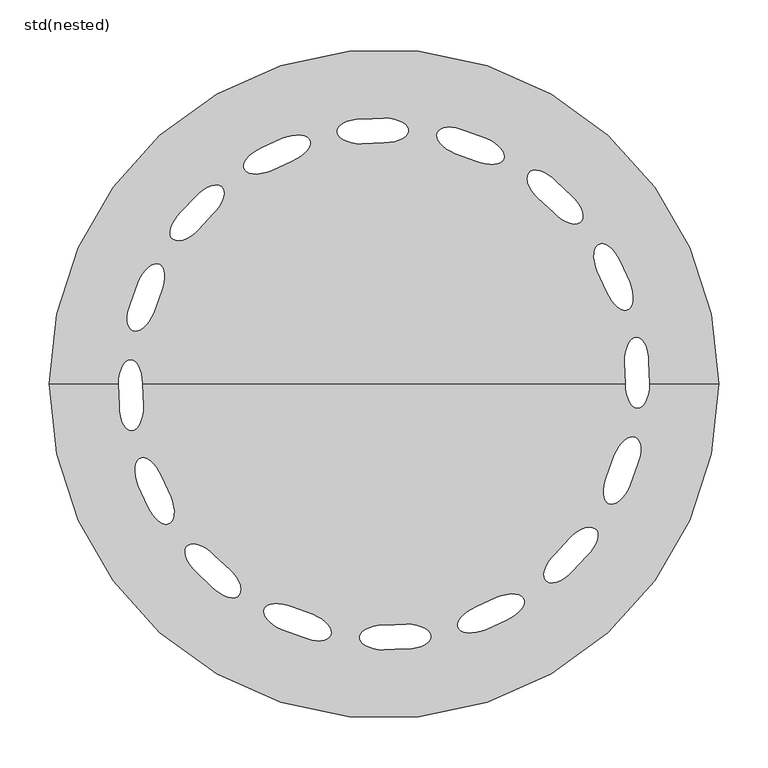
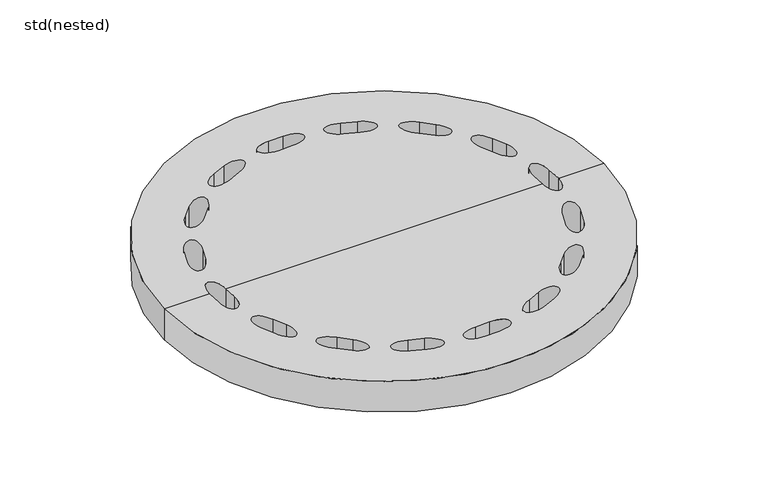
"""IFC4 building model written with IfcOpenShell, lengths in millimetres: sanitary terminal geometry, std(nested)."""

from ifc_helpers import new_model, si_unit, point, frame, origin, origin_with_axes, place, context, project, spatial, polyline, circle_curve, ellipse_curve, trimmed, source, transform, mapped, element, save
from ifc_brep_helpers import plane_surface, cylinder_surface, revolved_surface, extruded_surface, advanced_brep


def std_nested_0d486728(model_context):
    return source(origin(), model_context, "Body", "AdvancedBrep", [
        advanced_brep(
        [(340.0, 0.0, -50.0), (-340.0, 0.0, -50.0), (-340.0, 0.0, 0.0), (340.0, 0.0, 0.0), (-270.0, 0.0, 0.0), (-245.0, 0.0, 0.0), (0.0, 0.0, 0.0), (245.0, 0.0, 0.0), (243.945145, 22.710487, 0.0), (269.043182, 22.710487, 0.0), (270.0, 0.0, 0.0), (0.0, 270.0, 0.0), (0.0, 245.0, 0.0), (-22.710487, 243.945145, 0.0), (-22.710487, 269.043182, 0.0), (103.3245267, 249.4474738, 0.0), (93.7574409, 226.3504855, 0.0), (72.3720112, 234.0668537, 0.0), (81.9766142, 257.2544163, 0.0), (-103.3245267, 249.4474738, 0.0), (-93.7574409, 226.3504855, 0.0), (-114.3355196, 216.6849994, 0.0), (-123.9401225, 239.8725621, 0.0), (-190.9188309, 190.9188309, 0.0), (-173.2411614, 173.2411614, 0.0), (-188.5540057, 156.4365269, 0.0), (-206.3009978, 174.183519, 0.0), (-249.4474738, 103.3245267, 0.0), (-226.3504855, 93.7574409, 0.0), (-234.0668537, 72.3720112, 0.0), (-257.2544163, 81.9766142, 0.0), (249.4474738, 103.3245267, 0.0), (226.3504855, 93.7574409, 0.0), (216.6849994, 114.3355196, 0.0), (239.8725621, 123.9401225, 0.0), (190.9188309, 190.9188309, 0.0), (173.2411614, 173.2411614, 0.0), (156.4365269, 188.5540057, 0.0), (174.183519, 206.3009978, 0.0), (-243.945145, -22.710487, 0.0), (-269.043182, -22.710487, 0.0), (-249.4474738, -103.3245267, 0.0), (-226.3504855, -93.7574409, 0.0), (-216.6849994, -114.3355196, 0.0), (-239.8725621, -123.9401225, 0.0), (-190.9188309, -190.9188309, 0.0), (-173.2411614, -173.2411614, 0.0), (-156.4365269, -188.5540057, 0.0), (-174.183519, -206.3009978, 0.0), (-103.3245267, -249.4474738, 0.0), (-93.7574409, -226.3504855, 0.0), (-72.3720112, -234.0668537, 0.0), (-81.9766142, -257.2544163, 0.0), (0.0, -270.0, 0.0), (0.0, -245.0, 0.0), (22.710487, -243.945145, 0.0), (22.710487, -269.043182, 0.0), (103.3245267, -249.4474738, 0.0), (93.7574409, -226.3504855, 0.0), (114.3355196, -216.6849994, 0.0), (123.9401225, -239.8725621, 0.0), (190.9188309, -190.9188309, 0.0), (173.2411614, -173.2411614, 0.0), (188.5540057, -156.4365269, 0.0), (206.3009978, -174.183519, 0.0), (249.4474738, -103.3245267, 0.0), (226.3504855, -93.7574409, 0.0), (234.0668537, -72.3720112, 0.0), (257.2544163, -81.9766142, 0.0), (270.0, 0.0, -50.0), (269.043182, 22.710487, -50.0), (243.945145, 22.710487, -50.0), (245.0, 0.0, -50.0), (0.0, 0.0, -50.0), (-245.0, 0.0, -50.0), (-270.0, 0.0, -50.0), (0.0, 245.0, -50.0), (0.0, 270.0, -50.0), (-22.710487, 269.043182, -50.0), (-22.710487, 243.945145, -50.0), (93.7574409, 226.3504855, -50.0), (103.3245267, 249.4474738, -50.0), (81.9766142, 257.2544163, -50.0), (72.3720112, 234.0668537, -50.0), (-93.7574409, 226.3504855, -50.0), (-103.3245267, 249.4474738, -50.0), (-123.9401225, 239.8725621, -50.0), (-114.3355196, 216.6849994, -50.0), (-173.2411614, 173.2411614, -50.0), (-190.9188309, 190.9188309, -50.0), (-206.3009978, 174.183519, -50.0), (-188.5540057, 156.4365269, -50.0), (-226.3504855, 93.7574409, -50.0), (-249.4474738, 103.3245267, -50.0), (-257.2544163, 81.9766142, -50.0), (-234.0668537, 72.3720112, -50.0), (226.3504855, 93.7574409, -50.0), (249.4474738, 103.3245267, -50.0), (239.8725621, 123.9401225, -50.0), (216.6849994, 114.3355196, -50.0), (173.2411614, 173.2411614, -50.0), (190.9188309, 190.9188309, -50.0), (174.183519, 206.3009978, -50.0), (156.4365269, 188.5540057, -50.0), (-269.043182, -22.710487, -50.0), (-243.945145, -22.710487, -50.0), (-226.3504855, -93.7574409, -50.0), (-249.4474738, -103.3245267, -50.0), (-239.8725621, -123.9401225, -50.0), (-216.6849994, -114.3355196, -50.0), (-173.2411614, -173.2411614, -50.0), (-190.9188309, -190.9188309, -50.0), (-174.183519, -206.3009978, -50.0), (-156.4365269, -188.5540057, -50.0), (-93.7574409, -226.3504855, -50.0), (-103.3245267, -249.4474738, -50.0), (-81.9766142, -257.2544163, -50.0), (-72.3720112, -234.0668537, -50.0), (0.0, -245.0, -50.0), (0.0, -270.0, -50.0), (22.710487, -269.043182, -50.0), (22.710487, -243.945145, -50.0), (93.7574409, -226.3504855, -50.0), (103.3245267, -249.4474738, -50.0), (123.9401225, -239.8725621, -50.0), (114.3355196, -216.6849994, -50.0), (173.2411614, -173.2411614, -50.0), (190.9188309, -190.9188309, -50.0), (206.3009978, -174.183519, -50.0), (188.5540057, -156.4365269, -50.0), (226.3504855, -93.7574409, -50.0), (249.4474738, -103.3245267, -50.0), (257.2544163, -81.9766142, -50.0), (234.0668537, -72.3720112, -50.0)],
        [
            (0, 1, circle_curve(frame((0.0, 0.0, -50.0), z_axis=(0.0, 0.0, 1.0), x_axis=(-1.0, 0.0, 0.0)), 340.0)),
            (1, 2),
            (2, 3, circle_curve(frame((0.0, 0.0, 0.0), z_axis=(0.0, 0.0, -1.0), x_axis=(-1.0, 0.0, 0.0)), 340.0)),
            (3, 0),
            (1, 0, circle_curve(frame((0.0, 0.0, -50.0), z_axis=(0.0, 0.0, 1.0), x_axis=(-1.0, 0.0, 0.0)), 340.0)),
            (3, 2, circle_curve(frame((0.0, 0.0, 0.0), z_axis=(0.0, 0.0, -1.0), x_axis=(-1.0, 0.0, 0.0)), 340.0)),
            (2, 4),
            (4, 5, ellipse_curve(frame((-257.5, 0.0, 0.0), z_axis=(0.0, 0.0, -1.0), x_axis=(0.0, -1.0, 0.0)), 25.0, 12.5)),
            (5, 6),
            (6, 7),
            (7, 8, circle_curve(frame((0.0, 0.0, 0.0), z_axis=(0.0, 0.0, 1.0), x_axis=(0.0, 1.0, 0.0)), 245.0)),
            (8, 9, ellipse_curve(frame((256.4941635, 22.710487, 0.0), z_axis=(0.0, 0.0, -1.0), x_axis=(0.0, 1.0, 0.0)), 25.0, 12.5490185)),
            (9, 10, circle_curve(frame((0.0, 0.0, 0.0), z_axis=(0.0, 0.0, -1.0), x_axis=(0.0, 1.0, 0.0)), 270.0)),
            (10, 3),
            (11, 12, ellipse_curve(frame((0.0, 257.5, 0.0), z_axis=(0.0, 0.0, -1.0), x_axis=(-1.0, 0.0, 0.0)), 25.0, 12.5)),
            (12, 13, circle_curve(frame((0.0, 0.0, 0.0), z_axis=(0.0, 0.0, 1.0), x_axis=(-1.0, 0.0, 0.0)), 245.0)),
            (13, 14, ellipse_curve(frame((-22.710487, 256.4941635, 0.0), z_axis=(0.0, 0.0, -1.0), x_axis=(-1.0, 0.0, 0.0)), 25.0, 12.5490185)),
            (14, 11, circle_curve(frame((0.0, 0.0, 0.0), z_axis=(0.0, 0.0, -1.0), x_axis=(-1.0, 0.0, 0.0)), 270.0)),
            (15, 16, ellipse_curve(frame((98.5409838, 237.8989796, 0.0), z_axis=(0.0, 0.0, -1.0), x_axis=(-0.9238795325112736, 0.3826834323651216, 0.0)), 25.0, 12.5)),
            (16, 17, circle_curve(frame((0.0, 0.0, 0.0), z_axis=(0.0, 0.0, 1.0), x_axis=(-0.9238795325112747, 0.3826834323651191, 0.0)), 245.0)),
            (17, 18, ellipse_curve(frame((77.1743127, 245.660635, 0.0), z_axis=(0.0, 0.0, -1.0), x_axis=(-0.9238795325112736, 0.3826834323651216, 0.0)), 25.0, 12.5490185)),
            (18, 15, circle_curve(frame((0.0, 0.0, 0.0), z_axis=(0.0, 0.0, -1.0), x_axis=(-0.9238795325112747, 0.3826834323651191, 0.0)), 270.0)),
            (19, 20, ellipse_curve(frame((-98.5409838, 237.8989796, 0.0), z_axis=(0.0, 0.0, -1.0), x_axis=(-0.9238795325113, -0.3826834323650579, 0.0)), 25.0, 12.5)),
            (20, 21, circle_curve(frame((0.0, 0.0, 0.0), z_axis=(0.0, 0.0, 1.0), x_axis=(-0.923879532511299, -0.3826834323650604, 0.0)), 245.0)),
            (21, 22, ellipse_curve(frame((-119.137821, 228.2787807, 0.0), z_axis=(0.0, 0.0, -1.0), x_axis=(-0.9238795325113, -0.3826834323650579, 0.0)), 25.0, 12.5490185)),
            (22, 19, circle_curve(frame((0.0, 0.0, 0.0), z_axis=(0.0, 0.0, -1.0), x_axis=(-0.923879532511299, -0.3826834323650604, 0.0)), 270.0)),
            (23, 24, ellipse_curve(frame((-182.0799962, 182.0799962, 0.0), z_axis=(0.0, 0.0, -1.0), x_axis=(-0.7071067811865723, -0.7071067811865227, 0.0)), 25.0, 12.5)),
            (24, 25, circle_curve(frame((0.0, 0.0, 0.0), z_axis=(0.0, 0.0, 1.0), x_axis=(-0.7071067811865704, -0.7071067811865246, 0.0)), 245.0)),
            (25, 26, ellipse_curve(frame((-197.4275017, 165.310023, 0.0), z_axis=(0.0, 0.0, -1.0), x_axis=(-0.7071067811865723, -0.7071067811865227, 0.0)), 25.0, 12.5490185)),
            (26, 23, circle_curve(frame((0.0, 0.0, 0.0), z_axis=(0.0, 0.0, -1.0), x_axis=(-0.7071067811865704, -0.7071067811865246, 0.0)), 270.0)),
            (27, 28, ellipse_curve(frame((-237.8989796, 98.5409838, 0.0), z_axis=(0.0, 0.0, -1.0), x_axis=(-0.3826834323651223, -0.9238795325112733, 0.0)), 25.0, 12.5)),
            (28, 29, circle_curve(frame((0.0, 0.0, 0.0), z_axis=(0.0, 0.0, 1.0), x_axis=(-0.3826834323651199, -0.9238795325112743, 0.0)), 245.0)),
            (29, 30, ellipse_curve(frame((-245.660635, 77.1743127, 0.0), z_axis=(0.0, 0.0, -1.0), x_axis=(-0.3826834323651223, -0.9238795325112733, 0.0)), 25.0, 12.5490185)),
            (30, 27, circle_curve(frame((0.0, 0.0, 0.0), z_axis=(0.0, 0.0, -1.0), x_axis=(-0.3826834323651199, -0.9238795325112743, 0.0)), 270.0)),
            (31, 32, ellipse_curve(frame((237.8989796, 98.5409838, 0.0), z_axis=(0.0, 0.0, -1.0), x_axis=(-0.3826834323650418, 0.9238795325113066, 0.0)), 25.0, 12.5)),
            (32, 33, circle_curve(frame((0.0, 0.0, 0.0), z_axis=(0.0, 0.0, 1.0), x_axis=(-0.3826834323650443, 0.9238795325113056, 0.0)), 245.0)),
            (33, 34, ellipse_curve(frame((228.2787807, 119.137821, 0.0), z_axis=(0.0, 0.0, -1.0), x_axis=(-0.3826834323650418, 0.9238795325113066, 0.0)), 25.0, 12.5490185)),
            (34, 31, circle_curve(frame((0.0, 0.0, 0.0), z_axis=(0.0, 0.0, -1.0), x_axis=(-0.3826834323650443, 0.9238795325113056, 0.0)), 270.0)),
            (35, 36, ellipse_curve(frame((182.0799962, 182.0799962, 0.0), z_axis=(0.0, 0.0, -1.0), x_axis=(-0.7071067811865195, 0.7071067811865756, 0.0)), 25.0, 12.5)),
            (36, 37, circle_curve(frame((0.0, 0.0, 0.0), z_axis=(0.0, 0.0, 1.0), x_axis=(-0.7071067811865214, 0.7071067811865737, 0.0)), 245.0)),
            (37, 38, ellipse_curve(frame((165.310023, 197.4275017, 0.0), z_axis=(0.0, 0.0, -1.0), x_axis=(-0.7071067811865195, 0.7071067811865756, 0.0)), 25.0, 12.5490185)),
            (38, 35, circle_curve(frame((0.0, 0.0, 0.0), z_axis=(0.0, 0.0, -1.0), x_axis=(-0.7071067811865214, 0.7071067811865737, 0.0)), 270.0)),
            (10, 7, ellipse_curve(frame((257.5, 0.0, 0.0), z_axis=(0.0, 0.0, -1.0), x_axis=(0.0, 1.0, 0.0)), 25.0, 12.5)),
            (5, 39, circle_curve(frame((0.0, 0.0, 0.0), z_axis=(0.0, 0.0, 1.0), x_axis=(0.0, -1.0, 0.0)), 245.0)),
            (39, 40, ellipse_curve(frame((-256.4941635, -22.710487, 0.0), z_axis=(0.0, 0.0, -1.0), x_axis=(0.0, -1.0, 0.0)), 25.0, 12.5490185)),
            (40, 4, circle_curve(frame((0.0, 0.0, 0.0), z_axis=(0.0, 0.0, -1.0), x_axis=(0.0, -1.0, 0.0)), 270.0)),
            (41, 42, ellipse_curve(frame((-237.8989796, -98.5409838, 0.0), z_axis=(0.0, 0.0, -1.0), x_axis=(0.3826834323650564, -0.9238795325113006, 0.0)), 25.0, 12.5)),
            (42, 43, circle_curve(frame((0.0, 0.0, 0.0), z_axis=(0.0, 0.0, 1.0), x_axis=(0.38268343236505886, -0.9238795325112996, 0.0)), 245.0)),
            (43, 44, ellipse_curve(frame((-228.2787807, -119.137821, 0.0), z_axis=(0.0, 0.0, -1.0), x_axis=(0.3826834323650564, -0.9238795325113006, 0.0)), 25.0, 12.5490185)),
            (44, 41, circle_curve(frame((0.0, 0.0, 0.0), z_axis=(0.0, 0.0, -1.0), x_axis=(0.38268343236505886, -0.9238795325112996, 0.0)), 270.0)),
            (45, 46, ellipse_curve(frame((-182.0799962, -182.0799962, 0.0), z_axis=(0.0, 0.0, -1.0), x_axis=(0.7071067811865172, -0.7071067811865779, 0.0)), 25.0, 12.5)),
            (46, 47, circle_curve(frame((0.0, 0.0, 0.0), z_axis=(0.0, 0.0, 1.0), x_axis=(0.707106781186519, -0.707106781186576, 0.0)), 245.0)),
            (47, 48, ellipse_curve(frame((-165.310023, -197.4275017, 0.0), z_axis=(0.0, 0.0, -1.0), x_axis=(0.7071067811865172, -0.7071067811865779, 0.0)), 25.0, 12.5490185)),
            (48, 45, circle_curve(frame((0.0, 0.0, 0.0), z_axis=(0.0, 0.0, -1.0), x_axis=(0.707106781186519, -0.707106781186576, 0.0)), 270.0)),
            (49, 50, ellipse_curve(frame((-98.5409838, -237.8989796, 0.0), z_axis=(0.0, 0.0, -1.0000000000000002), x_axis=(0.9238795325112679, -0.38268343236513563, 0.0)), 25.0, 12.5)),
            (50, 51, circle_curve(frame((0.0, 0.0, 0.0), z_axis=(0.0, 0.0, 1.0), x_axis=(0.9238795325112689, -0.3826834323651331, 0.0)), 245.0)),
            (51, 52, ellipse_curve(frame((-77.1743127, -245.660635, 0.0), z_axis=(0.0, 0.0, -1.0000000000000002), x_axis=(0.9238795325112679, -0.38268343236513563, 0.0)), 25.0, 12.5490185)),
            (52, 49, circle_curve(frame((0.0, 0.0, 0.0), z_axis=(0.0, 0.0, -1.0), x_axis=(0.9238795325112689, -0.3826834323651331, 0.0)), 270.0)),
            (53, 54, ellipse_curve(frame((0.0, -257.5, 0.0), z_axis=(0.0, 0.0, -1.0), x_axis=(1.0, 0.0, 0.0)), 25.0, 12.5)),
            (54, 55, circle_curve(origin_with_axes(), 245.0)),
            (55, 56, ellipse_curve(frame((22.710487, -256.4941635, 0.0), z_axis=(0.0, 0.0, -1.0), x_axis=(1.0, 0.0, 0.0)), 25.0, 12.5490185)),
            (56, 53, circle_curve(frame((0.0, 0.0, 0.0), z_axis=(0.0, 0.0, -1.0), x_axis=(1.0, 0.0, 0.0)), 270.0)),
            (57, 58, ellipse_curve(frame((98.5409838, -237.8989796, 0.0), z_axis=(0.0, 0.0, -1.0), x_axis=(0.9238795325113058, 0.38268343236504365, 0.0)), 25.0, 12.5)),
            (58, 59, circle_curve(frame((0.0, 0.0, 0.0), z_axis=(0.0, 0.0, 1.0), x_axis=(0.923879532511305, 0.3826834323650461, 0.0)), 245.0)),
            (59, 60, ellipse_curve(frame((119.137821, -228.2787807, 0.0), z_axis=(0.0, 0.0, -1.0), x_axis=(0.9238795325113058, 0.38268343236504365, 0.0)), 25.0, 12.5490185)),
            (60, 57, circle_curve(frame((0.0, 0.0, 0.0), z_axis=(0.0, 0.0, -1.0), x_axis=(0.923879532511305, 0.3826834323650461, 0.0)), 270.0)),
            (61, 62, ellipse_curve(frame((182.0799962, -182.0799962, 0.0), z_axis=(0.0, 0.0, -1.0), x_axis=(0.7071067811865839, 0.7071067811865112, 0.0)), 25.0, 12.5)),
            (62, 63, circle_curve(frame((0.0, 0.0, 0.0), z_axis=(0.0, 0.0, 1.0), x_axis=(0.707106781186582, 0.707106781186513, 0.0)), 245.0)),
            (63, 64, ellipse_curve(frame((197.4275017, -165.310023, 0.0), z_axis=(0.0, 0.0, -1.0), x_axis=(0.7071067811865839, 0.7071067811865112, 0.0)), 25.0, 12.5490185)),
            (64, 61, circle_curve(frame((0.0, 0.0, 0.0), z_axis=(0.0, 0.0, -1.0), x_axis=(0.707106781186582, 0.707106781186513, 0.0)), 270.0)),
            (65, 66, ellipse_curve(frame((237.8989796, -98.5409838, 0.0), z_axis=(0.0, 0.0, -1.0000000000000002), x_axis=(0.38268343236513686, 0.9238795325112674, 0.0)), 25.0, 12.5)),
            (66, 67, circle_curve(frame((0.0, 0.0, 0.0), z_axis=(0.0, 0.0, 1.0), x_axis=(0.38268343236513436, 0.9238795325112683, 0.0)), 245.0)),
            (67, 68, ellipse_curve(frame((245.660635, -77.1743127, 0.0), z_axis=(0.0, 0.0, -1.0000000000000002), x_axis=(0.38268343236513686, 0.9238795325112674, 0.0)), 25.0, 12.5490185)),
            (68, 65, circle_curve(frame((0.0, 0.0, 0.0), z_axis=(0.0, 0.0, -1.0), x_axis=(0.38268343236513436, 0.9238795325112683, 0.0)), 270.0)),
            (0, 69),
            (69, 70, circle_curve(frame((0.0, 0.0, -50.0), z_axis=(0.0, 0.0, 1.0), x_axis=(0.0, 1.0, 0.0)), 270.0)),
            (70, 71, ellipse_curve(frame((256.4941635, 22.710487, -50.0), z_axis=(0.0, 0.0, 1.0), x_axis=(0.0, 1.0, 0.0)), 25.0, 12.5490185)),
            (71, 72, circle_curve(frame((0.0, 0.0, -50.0), z_axis=(0.0, 0.0, -1.0), x_axis=(0.0, 1.0, 0.0)), 245.0)),
            (72, 73),
            (73, 74),
            (74, 75, ellipse_curve(frame((-257.5, 0.0, -50.0), z_axis=(0.0, 0.0, 1.0), x_axis=(0.0, -1.0, 0.0)), 25.0, 12.5)),
            (75, 1),
            (76, 77, ellipse_curve(frame((0.0, 257.5, -50.0), z_axis=(0.0, 0.0, 1.0), x_axis=(-1.0, 0.0, 0.0)), 25.0, 12.5)),
            (77, 78, circle_curve(frame((0.0, 0.0, -50.0), z_axis=(0.0, 0.0, 1.0), x_axis=(-1.0, 0.0, 0.0)), 270.0)),
            (78, 79, ellipse_curve(frame((-22.710487, 256.4941635, -50.0), z_axis=(0.0, 0.0, 1.0), x_axis=(-1.0, 0.0, 0.0)), 25.0, 12.5490185)),
            (79, 76, circle_curve(frame((0.0, 0.0, -50.0), z_axis=(0.0, 0.0, -1.0), x_axis=(-1.0, 0.0, 0.0)), 245.0)),
            (80, 81, ellipse_curve(frame((98.5409838, 237.8989796, -50.0), z_axis=(0.0, 0.0, 1.0), x_axis=(-0.9238795325112736, 0.3826834323651216, 0.0)), 25.0, 12.5)),
            (81, 82, circle_curve(frame((0.0, 0.0, -50.0), z_axis=(0.0, 0.0, 1.0), x_axis=(-0.9238795325112747, 0.3826834323651191, 0.0)), 270.0)),
            (82, 83, ellipse_curve(frame((77.1743127, 245.660635, -50.0), z_axis=(0.0, 0.0, 1.0), x_axis=(-0.9238795325112736, 0.3826834323651216, 0.0)), 25.0, 12.5490185)),
            (83, 80, circle_curve(frame((0.0, 0.0, -50.0), z_axis=(0.0, 0.0, -1.0), x_axis=(-0.9238795325112747, 0.3826834323651191, 0.0)), 245.0)),
            (84, 85, ellipse_curve(frame((-98.5409838, 237.8989796, -50.0), z_axis=(0.0, 0.0, 1.0), x_axis=(-0.9238795325113, -0.3826834323650579, 0.0)), 25.0, 12.5)),
            (85, 86, circle_curve(frame((0.0, 0.0, -50.0), z_axis=(0.0, 0.0, 1.0), x_axis=(-0.923879532511299, -0.3826834323650604, 0.0)), 270.0)),
            (86, 87, ellipse_curve(frame((-119.137821, 228.2787807, -50.0), z_axis=(0.0, 0.0, 1.0), x_axis=(-0.9238795325113, -0.3826834323650579, 0.0)), 25.0, 12.5490185)),
            (87, 84, circle_curve(frame((0.0, 0.0, -50.0), z_axis=(0.0, 0.0, -1.0), x_axis=(-0.923879532511299, -0.3826834323650604, 0.0)), 245.0)),
            (88, 89, ellipse_curve(frame((-182.0799962, 182.0799962, -50.0), z_axis=(0.0, 0.0, 1.0), x_axis=(-0.7071067811865723, -0.7071067811865227, 0.0)), 25.0, 12.5)),
            (89, 90, circle_curve(frame((0.0, 0.0, -50.0), z_axis=(0.0, 0.0, 1.0), x_axis=(-0.7071067811865704, -0.7071067811865246, 0.0)), 270.0)),
            (90, 91, ellipse_curve(frame((-197.4275017, 165.310023, -50.0), z_axis=(0.0, 0.0, 1.0), x_axis=(-0.7071067811865723, -0.7071067811865227, 0.0)), 25.0, 12.5490185)),
            (91, 88, circle_curve(frame((0.0, 0.0, -50.0), z_axis=(0.0, 0.0, -1.0), x_axis=(-0.7071067811865704, -0.7071067811865246, 0.0)), 245.0)),
            (92, 93, ellipse_curve(frame((-237.8989796, 98.5409838, -50.0), z_axis=(0.0, 0.0, 1.0), x_axis=(-0.3826834323651223, -0.9238795325112733, 0.0)), 25.0, 12.5)),
            (93, 94, circle_curve(frame((0.0, 0.0, -50.0), z_axis=(0.0, 0.0, 1.0), x_axis=(-0.3826834323651199, -0.9238795325112743, 0.0)), 270.0)),
            (94, 95, ellipse_curve(frame((-245.660635, 77.1743127, -50.0), z_axis=(0.0, 0.0, 1.0), x_axis=(-0.3826834323651223, -0.9238795325112733, 0.0)), 25.0, 12.5490185)),
            (95, 92, circle_curve(frame((0.0, 0.0, -50.0), z_axis=(0.0, 0.0, -1.0), x_axis=(-0.3826834323651199, -0.9238795325112743, 0.0)), 245.0)),
            (96, 97, ellipse_curve(frame((237.8989796, 98.5409838, -50.0), z_axis=(0.0, 0.0, 1.0), x_axis=(-0.3826834323650418, 0.9238795325113066, 0.0)), 25.0, 12.5)),
            (97, 98, circle_curve(frame((0.0, 0.0, -50.0), z_axis=(0.0, 0.0, 1.0), x_axis=(-0.3826834323650443, 0.9238795325113056, 0.0)), 270.0)),
            (98, 99, ellipse_curve(frame((228.2787807, 119.137821, -50.0), z_axis=(0.0, 0.0, 1.0), x_axis=(-0.3826834323650418, 0.9238795325113066, 0.0)), 25.0, 12.5490185)),
            (99, 96, circle_curve(frame((0.0, 0.0, -50.0), z_axis=(0.0, 0.0, -1.0), x_axis=(-0.3826834323650443, 0.9238795325113056, 0.0)), 245.0)),
            (100, 101, ellipse_curve(frame((182.0799962, 182.0799962, -50.0), z_axis=(0.0, 0.0, 1.0), x_axis=(-0.7071067811865195, 0.7071067811865756, 0.0)), 25.0, 12.5)),
            (101, 102, circle_curve(frame((0.0, 0.0, -50.0), z_axis=(0.0, 0.0, 1.0), x_axis=(-0.7071067811865214, 0.7071067811865737, 0.0)), 270.0)),
            (102, 103, ellipse_curve(frame((165.310023, 197.4275017, -50.0), z_axis=(0.0, 0.0, 1.0), x_axis=(-0.7071067811865195, 0.7071067811865756, 0.0)), 25.0, 12.5490185)),
            (103, 100, circle_curve(frame((0.0, 0.0, -50.0), z_axis=(0.0, 0.0, -1.0), x_axis=(-0.7071067811865214, 0.7071067811865737, 0.0)), 245.0)),
            (75, 104, circle_curve(frame((0.0, 0.0, -50.0), z_axis=(0.0, 0.0, 1.0), x_axis=(0.0, -1.0, 0.0)), 270.0)),
            (104, 105, ellipse_curve(frame((-256.4941635, -22.710487, -50.0), z_axis=(0.0, 0.0, 1.0), x_axis=(0.0, -1.0, 0.0)), 25.0, 12.5490185)),
            (105, 74, circle_curve(frame((0.0, 0.0, -50.0), z_axis=(0.0, 0.0, -1.0), x_axis=(0.0, -1.0, 0.0)), 245.0)),
            (72, 69, ellipse_curve(frame((257.5, 0.0, -50.0), z_axis=(0.0, 0.0, 1.0), x_axis=(0.0, 1.0, 0.0)), 25.0, 12.5)),
            (106, 107, ellipse_curve(frame((-237.8989796, -98.5409838, -50.0), z_axis=(0.0, 0.0, 1.0), x_axis=(0.3826834323650564, -0.9238795325113006, 0.0)), 25.0, 12.5)),
            (107, 108, circle_curve(frame((0.0, 0.0, -50.0), z_axis=(0.0, 0.0, 1.0), x_axis=(0.38268343236505886, -0.9238795325112996, 0.0)), 270.0)),
            (108, 109, ellipse_curve(frame((-228.2787807, -119.137821, -50.0), z_axis=(0.0, 0.0, 1.0), x_axis=(0.3826834323650564, -0.9238795325113006, 0.0)), 25.0, 12.5490185)),
            (109, 106, circle_curve(frame((0.0, 0.0, -50.0), z_axis=(0.0, 0.0, -1.0), x_axis=(0.38268343236505886, -0.9238795325112996, 0.0)), 245.0)),
            (110, 111, ellipse_curve(frame((-182.0799962, -182.0799962, -50.0), z_axis=(0.0, 0.0, 1.0), x_axis=(0.7071067811865172, -0.7071067811865779, 0.0)), 25.0, 12.5)),
            (111, 112, circle_curve(frame((0.0, 0.0, -50.0), z_axis=(0.0, 0.0, 1.0), x_axis=(0.707106781186519, -0.707106781186576, 0.0)), 270.0)),
            (112, 113, ellipse_curve(frame((-165.310023, -197.4275017, -50.0), z_axis=(0.0, 0.0, 1.0), x_axis=(0.7071067811865172, -0.7071067811865779, 0.0)), 25.0, 12.5490185)),
            (113, 110, circle_curve(frame((0.0, 0.0, -50.0), z_axis=(0.0, 0.0, -1.0), x_axis=(0.707106781186519, -0.707106781186576, 0.0)), 245.0)),
            (114, 115, ellipse_curve(frame((-98.5409838, -237.8989796, -50.0), z_axis=(0.0, 0.0, 1.0000000000000002), x_axis=(0.9238795325112679, -0.38268343236513563, 0.0)), 25.0, 12.5)),
            (115, 116, circle_curve(frame((0.0, 0.0, -50.0), z_axis=(0.0, 0.0, 1.0), x_axis=(0.9238795325112689, -0.3826834323651331, 0.0)), 270.0)),
            (116, 117, ellipse_curve(frame((-77.1743127, -245.660635, -50.0), z_axis=(0.0, 0.0, 1.0000000000000002), x_axis=(0.9238795325112679, -0.38268343236513563, 0.0)), 25.0, 12.5490185)),
            (117, 114, circle_curve(frame((0.0, 0.0, -50.0), z_axis=(0.0, 0.0, -1.0), x_axis=(0.9238795325112689, -0.3826834323651331, 0.0)), 245.0)),
            (118, 119, ellipse_curve(frame((0.0, -257.5, -50.0), z_axis=(0.0, 0.0, 1.0), x_axis=(1.0, 0.0, 0.0)), 25.0, 12.5)),
            (119, 120, circle_curve(frame((0.0, 0.0, -50.0), z_axis=(0.0, 0.0, 1.0), x_axis=(1.0, 0.0, 0.0)), 270.0)),
            (120, 121, ellipse_curve(frame((22.710487, -256.4941635, -50.0), z_axis=(0.0, 0.0, 1.0), x_axis=(1.0, 0.0, 0.0)), 25.0, 12.5490185)),
            (121, 118, circle_curve(frame((0.0, 0.0, -50.0), z_axis=(0.0, 0.0, -1.0), x_axis=(1.0, 0.0, 0.0)), 245.0)),
            (122, 123, ellipse_curve(frame((98.5409838, -237.8989796, -50.0), z_axis=(0.0, 0.0, 1.0), x_axis=(0.9238795325113058, 0.38268343236504365, 0.0)), 25.0, 12.5)),
            (123, 124, circle_curve(frame((0.0, 0.0, -50.0), z_axis=(0.0, 0.0, 1.0), x_axis=(0.923879532511305, 0.3826834323650461, 0.0)), 270.0)),
            (124, 125, ellipse_curve(frame((119.137821, -228.2787807, -50.0), z_axis=(0.0, 0.0, 1.0), x_axis=(0.9238795325113058, 0.38268343236504365, 0.0)), 25.0, 12.5490185)),
            (125, 122, circle_curve(frame((0.0, 0.0, -50.0), z_axis=(0.0, 0.0, -1.0), x_axis=(0.923879532511305, 0.3826834323650461, 0.0)), 245.0)),
            (126, 127, ellipse_curve(frame((182.0799962, -182.0799962, -50.0), z_axis=(0.0, 0.0, 1.0), x_axis=(0.7071067811865839, 0.7071067811865112, 0.0)), 25.0, 12.5)),
            (127, 128, circle_curve(frame((0.0, 0.0, -50.0), z_axis=(0.0, 0.0, 1.0), x_axis=(0.707106781186582, 0.707106781186513, 0.0)), 270.0)),
            (128, 129, ellipse_curve(frame((197.4275017, -165.310023, -50.0), z_axis=(0.0, 0.0, 1.0), x_axis=(0.7071067811865839, 0.7071067811865112, 0.0)), 25.0, 12.5490185)),
            (129, 126, circle_curve(frame((0.0, 0.0, -50.0), z_axis=(0.0, 0.0, -1.0), x_axis=(0.707106781186582, 0.707106781186513, 0.0)), 245.0)),
            (130, 131, ellipse_curve(frame((237.8989796, -98.5409838, -50.0), z_axis=(0.0, 0.0, 1.0000000000000002), x_axis=(0.38268343236513686, 0.9238795325112674, 0.0)), 25.0, 12.5)),
            (131, 132, circle_curve(frame((0.0, 0.0, -50.0), z_axis=(0.0, 0.0, 1.0), x_axis=(0.38268343236513436, 0.9238795325112683, 0.0)), 270.0)),
            (132, 133, ellipse_curve(frame((245.660635, -77.1743127, -50.0), z_axis=(0.0, 0.0, 1.0000000000000002), x_axis=(0.38268343236513686, 0.9238795325112674, 0.0)), 25.0, 12.5490185)),
            (133, 130, circle_curve(frame((0.0, 0.0, -50.0), z_axis=(0.0, 0.0, -1.0), x_axis=(0.38268343236513436, 0.9238795325112683, 0.0)), 245.0)),
            (76, 12),
            (11, 77),
            (14, 78),
            (13, 79),
            (80, 16),
            (15, 81),
            (18, 82),
            (17, 83),
            (84, 20),
            (19, 85),
            (22, 86),
            (21, 87),
            (88, 24),
            (23, 89),
            (26, 90),
            (25, 91),
            (92, 28),
            (27, 93),
            (30, 94),
            (29, 95),
            (4, 75),
            (74, 5),
            (40, 104),
            (39, 105),
            (106, 42),
            (41, 107),
            (44, 108),
            (43, 109),
            (110, 46),
            (45, 111),
            (48, 112),
            (47, 113),
            (114, 50),
            (49, 115),
            (52, 116),
            (51, 117),
            (118, 54),
            (53, 119),
            (56, 120),
            (55, 121),
            (122, 58),
            (57, 123),
            (60, 124),
            (59, 125),
            (126, 62),
            (61, 127),
            (64, 128),
            (63, 129),
            (130, 66),
            (65, 131),
            (68, 132),
            (67, 133),
            (10, 69),
            (72, 7),
            (9, 70),
            (8, 71),
            (96, 32),
            (31, 97),
            (34, 98),
            (33, 99),
            (100, 36),
            (35, 101),
            (38, 102),
            (37, 103),
        ],
        [
            cylinder_surface(frame((0.0, 0.0, 582.2196054), z_axis=(0.0, 0.0, -1.0), x_axis=(-1.0, 0.0, 0.0)), 340.0),
            plane_surface(frame((0.0, 0.0, 0.0), z_axis=(0.0, 0.0, 1.0), x_axis=(-1.0, 0.0, 0.0))),
            plane_surface(frame((0.0, 0.0, -50.0), z_axis=(0.0, 0.0, -1.0), x_axis=(-1.0, 0.0, 0.0))),
            extruded_surface(trimmed(ellipse_curve(frame((0.0, 257.5, -140.0), z_axis=(0.0, 0.0, 1.0), x_axis=(0.0, 1.0, 0.0)), 12.5, 25.0), [point((0.0, 245.0, -140.0))], [point((0.0, 270.0, -140.0))], True, "CARTESIAN"), (0.0, 0.0, -250.0), 250.0),
            revolved_surface(polyline([(-270.0, 0.0, 0.0), (-270.0, 0.0, -50.0)]), (0.0, 0.0, -140.0), (0.0, 0.0, 1.0)),
            extruded_surface(trimmed(ellipse_curve(frame((-22.710487, 256.4941635, -140.0), z_axis=(0.0, 0.0, 1.0), x_axis=(0.0, 1.0, 0.0)), 12.5490185, 25.0), [point((-22.710487, 269.043182, -140.0))], [point((-22.710487, 243.945145, -140.0))], True, "CARTESIAN"), (0.0, 0.0, -250.0), 250.0),
            cylinder_surface(frame((0.0, 0.0, -140.0), z_axis=(0.0, 0.0, -1.0), x_axis=(-1.0, 0.0, 0.0)), 245.0),
            extruded_surface(trimmed(ellipse_curve(frame((98.5409838, 237.8989796, -140.0), z_axis=(0.0, 0.0, 1.0), x_axis=(0.3826834323651216, 0.9238795325112736, 0.0)), 12.5, 25.0), [point((93.7574409, 226.3504855, -140.0))], [point((103.3245267, 249.4474738, -140.0))], True, "CARTESIAN"), (0.0, 0.0, -250.0), 250.0),
            revolved_surface(polyline([(-249.44747377804418, 103.32452673858215, 5.684341886080802e-14), (-249.44747377804418, 103.32452673858215, -49.99999999999997)]), (0.0, 0.0, -140.0), (0.0, 0.0, 1.0000000000000002)),
            extruded_surface(trimmed(ellipse_curve(frame((77.1743127, 245.660635, -140.0), z_axis=(0.0, 0.0, 1.0), x_axis=(0.3826834323651216, 0.9238795325112736, 0.0)), 12.5490185, 25.0), [point((81.9766142, 257.2544163, -140.0))], [point((72.3720112, 234.0668537, -140.0))], True, "CARTESIAN"), (0.0, 0.0, -250.0), 250.0),
            cylinder_surface(frame((0.0, 0.0, -140.0), z_axis=(0.0, 0.0, -1.0000000000000002), x_axis=(-0.9238795325112747, 0.3826834323651191, 0.0)), 245.0),
            extruded_surface(trimmed(ellipse_curve(frame((-98.5409838, 237.8989796, -140.0), z_axis=(0.0, 0.0, 1.0), x_axis=(-0.3826834323650579, 0.9238795325113, 0.0)), 12.5, 25.0), [point((-93.7574409, 226.3504855, -140.0))], [point((-103.3245267, 249.4474738, -140.0))], True, "CARTESIAN"), (0.0, 0.0, -250.0), 250.0),
            revolved_surface(polyline([(-249.44747377805072, -103.3245267385663, 0.0), (-249.44747377805072, -103.3245267385663, -50.0)]), (0.0, 0.0, -140.0), (0.0, 0.0, 1.0)),
            extruded_surface(trimmed(ellipse_curve(frame((-119.137821, 228.2787807, -140.0), z_axis=(0.0, 0.0, 1.0), x_axis=(-0.3826834323650579, 0.9238795325113, 0.0)), 12.5490185, 25.0), [point((-123.9401225, 239.8725621, -140.0))], [point((-114.3355196, 216.6849994, -140.0))], True, "CARTESIAN"), (0.0, 0.0, -250.0), 250.0),
            cylinder_surface(frame((0.0, 0.0, -140.0), z_axis=(0.0, 0.0, -1.0), x_axis=(-0.923879532511299, -0.3826834323650604, 0.0)), 245.0),
            extruded_surface(trimmed(ellipse_curve(frame((-182.0799962, 182.0799962, -140.0), z_axis=(0.0, 0.0, 1.0), x_axis=(-0.7071067811865227, 0.7071067811865723, 0.0)), 12.5, 25.0), [point((-173.2411614, 173.2411614, -140.0))], [point((-190.9188309, 190.9188309, -140.0))], True, "CARTESIAN"), (0.0, 0.0, -250.0), 250.0),
            revolved_surface(polyline([(-190.918830920374, -190.91883092036164, 0.0), (-190.918830920374, -190.91883092036164, -50.0)]), (0.0, 0.0, -140.0), (0.0, 0.0, 1.0)),
            extruded_surface(trimmed(ellipse_curve(frame((-197.4275017, 165.310023, -140.0), z_axis=(0.0, 0.0, 1.0), x_axis=(-0.7071067811865227, 0.7071067811865723, 0.0)), 12.5490185, 25.0), [point((-206.3009978, 174.183519, -140.0))], [point((-188.5540057, 156.4365269, -140.0))], True, "CARTESIAN"), (0.0, 0.0, -250.0), 250.0),
            cylinder_surface(frame((0.0, 0.0, -140.0), z_axis=(0.0, 0.0, -1.0), x_axis=(-0.7071067811865704, -0.7071067811865246, 0.0)), 245.0),
            extruded_surface(trimmed(ellipse_curve(frame((-237.8989796, 98.5409838, -140.0), z_axis=(0.0, 0.0, 1.0), x_axis=(-0.9238795325112733, 0.3826834323651223, 0.0)), 12.5, 25.0), [point((-226.3504855, 93.7574409, -140.0))], [point((-249.4474738, 103.3245267, -140.0))], True, "CARTESIAN"), (0.0, 0.0, -250.0), 250.0),
            revolved_surface(polyline([(-103.32452673858238, -249.44747377804407, 0.0), (-103.32452673858238, -249.44747377804407, -50.0)]), (0.0, 0.0, -140.0), (0.0, 0.0, 1.0)),
            extruded_surface(trimmed(ellipse_curve(frame((-245.660635, 77.1743127, -140.0), z_axis=(0.0, 0.0, 1.0), x_axis=(-0.9238795325112733, 0.3826834323651223, 0.0)), 12.5490185, 25.0), [point((-257.2544163, 81.9766142, -140.0))], [point((-234.0668537, 72.3720112, -140.0))], True, "CARTESIAN"), (0.0, 0.0, -250.0), 250.0),
            cylinder_surface(frame((0.0, 0.0, -140.0), z_axis=(0.0, 0.0, -1.0), x_axis=(-0.3826834323651199, -0.9238795325112743, 0.0)), 245.0),
            extruded_surface(trimmed(ellipse_curve(frame((-257.5, 0.0, -140.0), z_axis=(0.0, 0.0, 1.0), x_axis=(-1.0, 0.0, 0.0)), 12.5, 25.0), [point((-245.0, 0.0, -140.0))], [point((-270.0, 0.0, -140.0))], True, "CARTESIAN"), (0.0, 0.0, -250.0), 250.0),
            revolved_surface(polyline([(0.0, -270.0, 0.0), (0.0, -270.0, -50.0)]), (0.0, 0.0, -140.0), (0.0, 0.0, 1.0)),
            extruded_surface(trimmed(ellipse_curve(frame((-256.4941635, -22.710487, -140.0), z_axis=(0.0, 0.0, 1.0), x_axis=(-1.0, 0.0, 0.0)), 12.5490185, 25.0), [point((-269.043182, -22.710487, -140.0))], [point((-243.945145, -22.710487, -140.0))], True, "CARTESIAN"), (0.0, 0.0, -250.0), 250.0),
            cylinder_surface(frame((0.0, 0.0, -140.0), z_axis=(0.0, 0.0, -1.0), x_axis=(0.0, -1.0, 0.0)), 245.0),
            extruded_surface(trimmed(ellipse_curve(frame((-237.8989796, -98.5409838, -140.0), z_axis=(0.0, 0.0, 1.0), x_axis=(-0.9238795325113006, -0.3826834323650564, 0.0)), 12.5, 25.0), [point((-226.3504855, -93.7574409, -140.0))], [point((-249.4474738, -103.3245267, -140.0))], True, "CARTESIAN"), (0.0, 0.0, -250.0), 250.0),
            revolved_surface(polyline([(103.3245267385659, -249.4474737780509, 0.0), (103.3245267385659, -249.4474737780509, -50.0)]), (0.0, 0.0, -140.0), (0.0, 0.0, 1.0)),
            extruded_surface(trimmed(ellipse_curve(frame((-228.2787807, -119.137821, -140.0), z_axis=(0.0, 0.0, 1.0), x_axis=(-0.9238795325113006, -0.3826834323650564, 0.0)), 12.5490185, 25.0), [point((-239.8725621, -123.9401225, -140.0))], [point((-216.6849994, -114.3355196, -140.0))], True, "CARTESIAN"), (0.0, 0.0, -250.0), 250.0),
            cylinder_surface(frame((0.0, 0.0, -140.0), z_axis=(0.0, 0.0, -1.0), x_axis=(0.38268343236505886, -0.9238795325112996, 0.0)), 245.0),
            extruded_surface(trimmed(ellipse_curve(frame((-182.0799962, -182.0799962, -140.0), z_axis=(0.0, 0.0, 1.0), x_axis=(-0.7071067811865779, -0.7071067811865172, 0.0)), 12.5, 25.0), [point((-173.2411614, -173.2411614, -140.0))], [point((-190.9188309, -190.9188309, -140.0))], True, "CARTESIAN"), (0.0, 0.0, -250.0), 250.0),
            revolved_surface(polyline([(190.91883092036014, -190.9188309203755, 0.0), (190.91883092036014, -190.9188309203755, -50.0)]), (0.0, 0.0, -140.0), (0.0, 0.0, 1.0)),
            extruded_surface(trimmed(ellipse_curve(frame((-165.310023, -197.4275017, -140.0), z_axis=(0.0, 0.0, 1.0), x_axis=(-0.7071067811865779, -0.7071067811865172, 0.0)), 12.5490185, 25.0), [point((-174.183519, -206.3009978, -140.0))], [point((-156.4365269, -188.5540057, -140.0))], True, "CARTESIAN"), (0.0, 0.0, -250.0), 250.0),
            cylinder_surface(frame((0.0, 0.0, -140.0), z_axis=(0.0, 0.0, -1.0), x_axis=(0.707106781186519, -0.707106781186576, 0.0)), 245.0),
            extruded_surface(trimmed(ellipse_curve(frame((-98.5409838, -237.8989796, -140.0), z_axis=(0.0, 0.0, 1.0000000000000002), x_axis=(-0.38268343236513563, -0.9238795325112679, 0.0)), 12.5, 25.0), [point((-93.7574409, -226.3504855, -140.0))], [point((-103.3245267, -249.4474738, -140.0))], True, "CARTESIAN"), (0.0, 0.0, -250.0), 250.0),
            revolved_surface(polyline([(249.4474737780426, -103.32452673858593, 0.0), (249.4474737780426, -103.32452673858593, -50.0)]), (0.0, 0.0, -140.0), (0.0, 0.0, 1.0)),
            extruded_surface(trimmed(ellipse_curve(frame((-77.1743127, -245.660635, -140.0), z_axis=(0.0, 0.0, 1.0000000000000002), x_axis=(-0.38268343236513563, -0.9238795325112679, 0.0)), 12.5490185, 25.0), [point((-81.9766142, -257.2544163, -140.0))], [point((-72.3720112, -234.0668537, -140.0))], True, "CARTESIAN"), (0.0, 0.0, -250.0), 250.0),
            cylinder_surface(frame((0.0, 0.0, -140.0), z_axis=(0.0, 0.0, -1.0), x_axis=(0.9238795325112689, -0.3826834323651331, 0.0)), 245.0),
            extruded_surface(trimmed(ellipse_curve(frame((0.0, -257.5, -140.0), z_axis=(0.0, 0.0, 1.0), x_axis=(0.0, -1.0, 0.0)), 12.5, 25.0), [point((0.0, -245.0, -140.0))], [point((0.0, -270.0, -140.0))], True, "CARTESIAN"), (0.0, 0.0, -250.0), 250.0),
            revolved_surface(polyline([(270.0, 0.0, 0.0), (270.0, 0.0, -50.0)]), (0.0, 0.0, -140.0), (0.0, 0.0, 1.0)),
            extruded_surface(trimmed(ellipse_curve(frame((22.710487, -256.4941635, -140.0), z_axis=(0.0, 0.0, 1.0), x_axis=(0.0, -1.0, 0.0)), 12.5490185, 25.0), [point((22.710487, -269.043182, -140.0))], [point((22.710487, -243.945145, -140.0))], True, "CARTESIAN"), (0.0, 0.0, -250.0), 250.0),
            cylinder_surface(frame((0.0, 0.0, -140.0), z_axis=(0.0, 0.0, -1.0), x_axis=(1.0, 0.0, 0.0)), 245.0),
            extruded_surface(trimmed(ellipse_curve(frame((98.5409838, -237.8989796, -140.0), z_axis=(0.0, 0.0, 1.0), x_axis=(0.38268343236504365, -0.9238795325113058, 0.0)), 12.5, 25.0), [point((93.7574409, -226.3504855, -140.0))], [point((103.3245267, -249.4474738, -140.0))], True, "CARTESIAN"), (0.0, 0.0, -250.0), 250.0),
            revolved_surface(polyline([(249.44747377805234, 103.32452673856244, 5.684341886080802e-14), (249.44747377805234, 103.32452673856244, -49.99999999999997)]), (0.0, 0.0, -140.0), (0.0, 0.0, 1.0000000000000002)),
            extruded_surface(trimmed(ellipse_curve(frame((119.137821, -228.2787807, -140.0), z_axis=(0.0, 0.0, 1.0), x_axis=(0.38268343236504365, -0.9238795325113058, 0.0)), 12.5490185, 25.0), [point((123.9401225, -239.8725621, -140.0))], [point((114.3355196, -216.6849994, -140.0))], True, "CARTESIAN"), (0.0, 0.0, -250.0), 250.0),
            cylinder_surface(frame((0.0, 0.0, -140.0), z_axis=(0.0, 0.0, -1.0000000000000002), x_axis=(0.923879532511305, 0.3826834323650461, 0.0)), 245.0),
            extruded_surface(trimmed(ellipse_curve(frame((182.0799962, -182.0799962, -140.0), z_axis=(0.0, 0.0, 1.0), x_axis=(0.7071067811865112, -0.7071067811865839, 0.0)), 12.5, 25.0), [point((173.2411614, -173.2411614, -140.0))], [point((190.9188309, -190.9188309, -140.0))], True, "CARTESIAN"), (0.0, 0.0, -250.0), 250.0),
            revolved_surface(polyline([(190.91883092037713, 190.91883092035852, 0.0), (190.91883092037713, 190.91883092035852, -50.0)]), (0.0, 0.0, -140.0), (0.0, 0.0, 1.0)),
            extruded_surface(trimmed(ellipse_curve(frame((197.4275017, -165.310023, -140.0), z_axis=(0.0, 0.0, 1.0), x_axis=(0.7071067811865112, -0.7071067811865839, 0.0)), 12.5490185, 25.0), [point((206.3009978, -174.183519, -140.0))], [point((188.5540057, -156.4365269, -140.0))], True, "CARTESIAN"), (0.0, 0.0, -250.0), 250.0),
            cylinder_surface(frame((0.0, 0.0, -140.0), z_axis=(0.0, 0.0, -1.0), x_axis=(0.707106781186582, 0.707106781186513, 0.0)), 245.0),
            extruded_surface(trimmed(ellipse_curve(frame((237.8989796, -98.5409838, -140.0), z_axis=(0.0, 0.0, 1.0000000000000002), x_axis=(0.9238795325112674, -0.38268343236513686, 0.0)), 12.5, 25.0), [point((226.3504855, -93.7574409, -140.0))], [point((249.4474738, -103.3245267, -140.0))], True, "CARTESIAN"), (0.0, 0.0, -250.0), 250.0),
            revolved_surface(polyline([(103.32452673858627, 249.44747377804245, 0.0), (103.32452673858627, 249.44747377804245, -50.0)]), (0.0, 0.0, -140.0), (0.0, 0.0, 1.0)),
            extruded_surface(trimmed(ellipse_curve(frame((245.660635, -77.1743127, -140.0), z_axis=(0.0, 0.0, 1.0000000000000002), x_axis=(0.9238795325112674, -0.38268343236513686, 0.0)), 12.5490185, 25.0), [point((257.2544163, -81.9766142, -140.0))], [point((234.0668537, -72.3720112, -140.0))], True, "CARTESIAN"), (0.0, 0.0, -250.0), 250.0),
            cylinder_surface(frame((0.0, 0.0, -140.0), z_axis=(0.0, 0.0, -1.0), x_axis=(0.38268343236513436, 0.9238795325112683, 0.0)), 245.0),
            extruded_surface(trimmed(ellipse_curve(frame((257.5, 0.0, -140.0), z_axis=(0.0, 0.0, 1.0), x_axis=(1.0, 0.0, 0.0)), 12.5, 25.0), [point((245.0, 0.0, -140.0))], [point((270.0, 0.0, -140.0))], True, "CARTESIAN"), (0.0, 0.0, -250.0), 250.0),
            revolved_surface(polyline([(0.0, 270.0, 0.0), (0.0, 270.0, -50.0)]), (0.0, 0.0, -140.0), (0.0, 0.0, 1.0)),
            extruded_surface(trimmed(ellipse_curve(frame((256.4941635, 22.710487, -140.0), z_axis=(0.0, 0.0, 1.0), x_axis=(1.0, 0.0, 0.0)), 12.5490185, 25.0), [point((269.043182, 22.710487, -140.0))], [point((243.945145, 22.710487, -140.0))], True, "CARTESIAN"), (0.0, 0.0, -250.0), 250.0),
            cylinder_surface(frame((0.0, 0.0, -140.0), z_axis=(0.0, 0.0, -1.0), x_axis=(0.0, 1.0, 0.0)), 245.0),
            extruded_surface(trimmed(ellipse_curve(frame((237.8989796, 98.5409838, -140.0), z_axis=(0.0, 0.0, 1.0), x_axis=(0.9238795325113066, 0.3826834323650418, 0.0)), 12.5, 25.0), [point((226.3504855, 93.7574409, -140.0))], [point((249.4474738, 103.3245267, -140.0))], True, "CARTESIAN"), (0.0, 0.0, -250.0), 250.0),
            revolved_surface(polyline([(-103.32452673856197, 249.4474737780525, 0.0), (-103.32452673856197, 249.4474737780525, -50.0)]), (0.0, 0.0, -140.0), (0.0, 0.0, 1.0)),
            extruded_surface(trimmed(ellipse_curve(frame((228.2787807, 119.137821, -140.0), z_axis=(0.0, 0.0, 1.0), x_axis=(0.9238795325113066, 0.3826834323650418, 0.0)), 12.5490185, 25.0), [point((239.8725621, 123.9401225, -140.0))], [point((216.6849994, 114.3355196, -140.0))], True, "CARTESIAN"), (0.0, 0.0, -250.0), 250.0),
            cylinder_surface(frame((0.0, 0.0, -140.0), z_axis=(0.0, 0.0, -1.0), x_axis=(-0.3826834323650443, 0.9238795325113056, 0.0)), 245.0),
            extruded_surface(trimmed(ellipse_curve(frame((182.0799962, 182.0799962, -140.0), z_axis=(0.0, 0.0, 1.0), x_axis=(0.7071067811865756, 0.7071067811865195, 0.0)), 12.5, 25.0), [point((173.2411614, 173.2411614, -140.0))], [point((190.9188309, 190.9188309, -140.0))], True, "CARTESIAN"), (0.0, 0.0, -250.0), 250.0),
            revolved_surface(polyline([(-190.91883092036076, 190.9188309203749, 0.0), (-190.91883092036076, 190.9188309203749, -50.0)]), (0.0, 0.0, -140.0), (0.0, 0.0, 1.0)),
            extruded_surface(trimmed(ellipse_curve(frame((165.310023, 197.4275017, -140.0), z_axis=(0.0, 0.0, 1.0), x_axis=(0.7071067811865756, 0.7071067811865195, 0.0)), 12.5490185, 25.0), [point((174.183519, 206.3009978, -140.0))], [point((156.4365269, 188.5540057, -140.0))], True, "CARTESIAN"), (0.0, 0.0, -250.0), 250.0),
            cylinder_surface(frame((0.0, 0.0, -140.0), z_axis=(0.0, 0.0, -1.0), x_axis=(-0.7071067811865214, 0.7071067811865737, 0.0)), 245.0),
        ],
        [
            (0, [[1, 2, 3, 4]]),
            (0, [[-2, 5, -4, 6]]),
            (1, [[-3, 7, 8, 9, 10, 11, 12, 13, 14], [15, 16, 17, 18], [19, 20, 21, 22], [23, 24, 25, 26], [27, 28, 29, 30], [31, 32, 33, 34], [35, 36, 37, 38], [39, 40, 41, 42]]),
            (1, [[-6, -14, 43, -10, -9, 44, 45, 46, -7], [47, 48, 49, 50], [51, 52, 53, 54], [55, 56, 57, 58], [59, 60, 61, 62], [63, 64, 65, 66], [67, 68, 69, 70], [71, 72, 73, 74]]),
            (2, [[-1, 75, 76, 77, 78, 79, 80, 81, 82], [83, 84, 85, 86], [87, 88, 89, 90], [91, 92, 93, 94], [95, 96, 97, 98], [99, 100, 101, 102], [103, 104, 105, 106], [107, 108, 109, 110]]),
            (2, [[-5, -82, 111, 112, 113, -80, -79, 114, -75], [115, 116, 117, 118], [119, 120, 121, 122], [123, 124, 125, 126], [127, 128, 129, 130], [131, 132, 133, 134], [135, 136, 137, 138], [139, 140, 141, 142]]),
            (3, [[143, -15, 144, -83]]),
            (4, [[-144, -18, 145, -84]]),
            (5, [[-145, -17, 146, -85]]),
            (6, [[-143, -86, -146, -16]]),
            (7, [[147, -19, 148, -87]]),
            (8, [[-148, -22, 149, -88]]),
            (9, [[-149, -21, 150, -89]]),
            (10, [[-147, -90, -150, -20]]),
            (11, [[151, -23, 152, -91]]),
            (12, [[-152, -26, 153, -92]]),
            (13, [[-153, -25, 154, -93]]),
            (14, [[-151, -94, -154, -24]]),
            (15, [[155, -27, 156, -95]]),
            (16, [[-156, -30, 157, -96]]),
            (17, [[-157, -29, 158, -97]]),
            (18, [[-155, -98, -158, -28]]),
            (19, [[159, -31, 160, -99]]),
            (20, [[-160, -34, 161, -100]]),
            (21, [[-161, -33, 162, -101]]),
            (22, [[-159, -102, -162, -32]]),
            (23, [[163, -81, 164, -8]]),
            (24, [[-163, -46, 165, -111]]),
            (25, [[-165, -45, 166, -112]]),
            (26, [[-164, -113, -166, -44]]),
            (27, [[167, -47, 168, -115]]),
            (28, [[-168, -50, 169, -116]]),
            (29, [[-169, -49, 170, -117]]),
            (30, [[-167, -118, -170, -48]]),
            (31, [[171, -51, 172, -119]]),
            (32, [[-172, -54, 173, -120]]),
            (33, [[-173, -53, 174, -121]]),
            (34, [[-171, -122, -174, -52]]),
            (35, [[175, -55, 176, -123]]),
            (36, [[-176, -58, 177, -124]]),
            (37, [[-177, -57, 178, -125]]),
            (38, [[-175, -126, -178, -56]]),
            (39, [[179, -59, 180, -127]]),
            (40, [[-180, -62, 181, -128]]),
            (41, [[-181, -61, 182, -129]]),
            (42, [[-179, -130, -182, -60]]),
            (43, [[183, -63, 184, -131]]),
            (44, [[-184, -66, 185, -132]]),
            (45, [[-185, -65, 186, -133]]),
            (46, [[-183, -134, -186, -64]]),
            (47, [[187, -67, 188, -135]]),
            (48, [[-188, -70, 189, -136]]),
            (49, [[-189, -69, 190, -137]]),
            (50, [[-187, -138, -190, -68]]),
            (51, [[191, -71, 192, -139]]),
            (52, [[-192, -74, 193, -140]]),
            (53, [[-193, -73, 194, -141]]),
            (54, [[-191, -142, -194, -72]]),
            (55, [[195, -114, 196, -43]]),
            (56, [[-195, -13, 197, -76]]),
            (57, [[-197, -12, 198, -77]]),
            (58, [[-196, -78, -198, -11]]),
            (59, [[199, -35, 200, -103]]),
            (60, [[-200, -38, 201, -104]]),
            (61, [[-201, -37, 202, -105]]),
            (62, [[-199, -106, -202, -36]]),
            (63, [[203, -39, 204, -107]]),
            (64, [[-204, -42, 205, -108]]),
            (65, [[-205, -41, 206, -109]]),
            (66, [[-203, -110, -206, -40]]),
        ],
    ),
    ])


if __name__ == "__main__":
    model = new_model("IFC4")
    model_context = context("Model", 3, world=origin())
    ifc_project = project(units=[si_unit("LENGTHUNIT", "METRE", prefix="MILLI")], contexts=[model_context])
    site = spatial("IfcSite", under=ifc_project)
    building = spatial("IfcBuilding", under=site)
    placement = place(None, origin())
    std_nested_shape = std_nested_0d486728(model_context)
    element("IfcSanitaryTerminal", 1, ObjectType="std(nested)", at=placement, inside=building, context=model_context, shape_type="MappedRepresentation", body=[
        mapped(std_nested_shape, transform((0.0, 0.0, 0.0), x_axis=(1.0, 0.0, 0.0), y_axis=(0.0, 1.0, 0.0), z_axis=(0.0, 0.0, 1.0))),
    ])
    save(model, "model.ifc")
